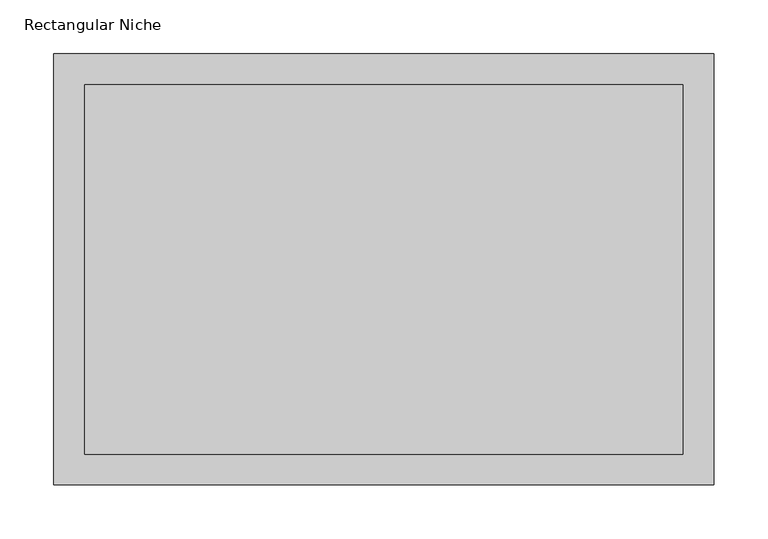
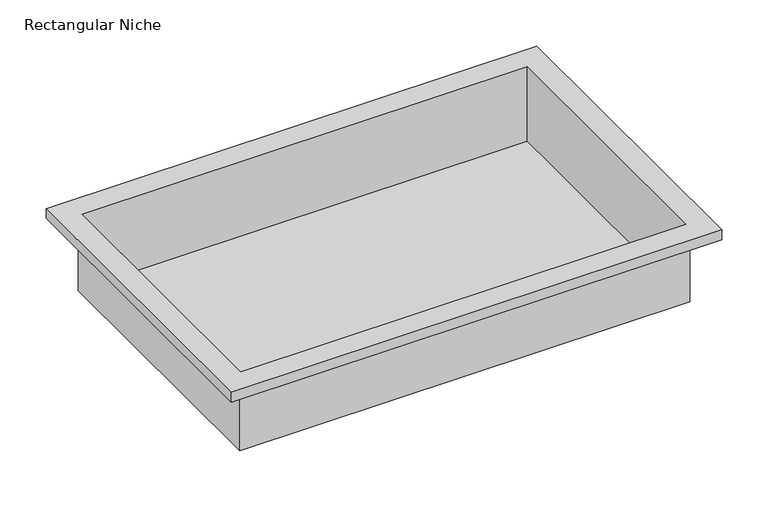
"""IFC4 building model written with IfcOpenShell, lengths in millimetres: proxy geometry, Rectangular Niche."""

from ifc_helpers import new_model, si_unit, origin, place, context, project, spatial, faceted_brep, source, transform, mapped, element, save


def rectangular_niche_a342e3d7(model_context):
    return source(origin(), model_context, "Body", "Brep", [
        faceted_brep([(277.8125, -171.45, -85.725), (277.8125, 171.45, -85.725), (-277.8125, 171.45, -85.725), (-277.8125, -171.45, -85.725), (280.9875, 174.625, -88.9), (280.9875, -174.625, -88.9), (-280.9875, -174.625, -88.9), (-280.9875, 174.625, -88.9), (306.3875, 200.025, 0.0), (306.3875, 200.025, 12.7), (306.3875, -200.025, 12.7), (306.3875, -200.025, 0.0), (280.9875, 174.625, 0.0), (280.9875, -174.625, 0.0), (277.8125, -171.45, 12.7), (277.8125, 171.45, 12.7), (-306.3875, -200.025, 12.7), (-306.3875, -200.025, 0.0), (-280.9875, -174.625, 0.0), (-277.8125, -171.45, 12.7), (-306.3875, 200.025, 12.7), (-306.3875, 200.025, 0.0), (-280.9875, 174.625, 0.0), (-277.8125, 171.45, 12.7)], [[[0, 1, 2, 3]], [[4, 5, 6, 7]], [[8, 9, 10, 11]], [[4, 12, 13, 5]], [[14, 15, 1, 0]], [[11, 10, 16, 17]], [[5, 13, 18, 6]], [[19, 14, 0, 3]], [[17, 16, 20, 21]], [[6, 18, 22, 7]], [[23, 19, 3, 2]], [[9, 8, 21, 20]], [[8, 11, 17, 21], [13, 12, 22, 18]], [[12, 4, 7, 22]], [[15, 23, 2, 1]], [[10, 9, 20, 16], [15, 14, 19, 23]]]),
    ])


if __name__ == "__main__":
    model = new_model("IFC4")
    model_context = context("Model", 3, world=origin())
    ifc_project = project(units=[si_unit("LENGTHUNIT", "METRE", prefix="MILLI")], contexts=[model_context])
    site = spatial("IfcSite", under=ifc_project)
    building = spatial("IfcBuilding", under=site)
    placement = place(None, origin())
    rectangular_niche_shape = rectangular_niche_a342e3d7(model_context)
    element("IfcBuildingElementProxy", 1, Name="Rectangular Niche", ObjectType="Rectangular Niche", at=placement, inside=building, context=model_context, shape_type="MappedRepresentation", body=[
        mapped(rectangular_niche_shape, transform((0.0, 0.0, 0.0), x_axis=(1.0, 0.0, 0.0), y_axis=(0.0, 1.0, 0.0), z_axis=(0.0, 0.0, 1.0))),
    ])
    save(model, "model.ifc")
